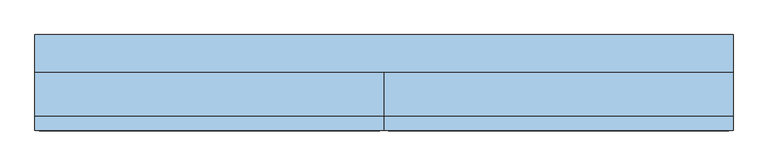
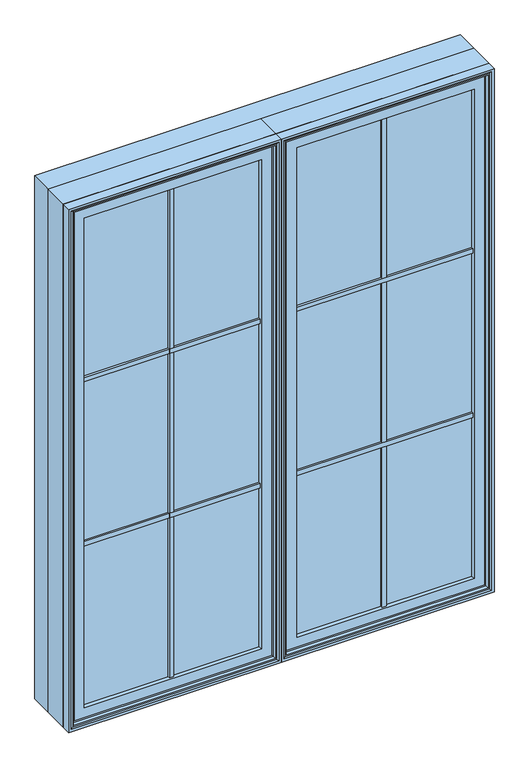
"""IFC4 building model written with IfcOpenShell, lengths in millimetres: window geometry."""

from ifc_helpers import new_model, si_unit, frame, origin, place, context, project, spatial, polyline, outline, extrude, faceted_brep, source, transform, mapped, element, save


def window_0797a930(model_context):
    return source(origin(), model_context, "Body", "SolidModel", [
        extrude(outline(polyline([(-14.684375, 6.1515625), (-14.684375, 12.5015625), (14.684375, 12.5015625), (14.684375, 6.1515625), (-14.684375, 6.1515625)])), frame((0.0, 0.0, 933.45), z_axis=(0.0, 0.0, 1.0), x_axis=(1.0, 0.0, 0.0)), (0.0, 0.0, 1.0), 1943.1),
        extrude(outline(polyline([(708.421875, -74.215625), (53.578125, -74.215625), (53.578125, -66.278125), (708.421875, -66.278125), (708.421875, -74.215625)])), frame((0.0, 0.0, 2206.5588542), z_axis=(0.0, 0.0, 1.0), x_axis=(1.0, 0.0, 0.0)), (0.0, 0.0, 1.0), 15.875),
        extrude(outline(polyline([(708.421875, -99.615625), (53.578125, -99.615625), (53.578125, -91.678125), (708.421875, -91.678125), (708.421875, -99.615625)])), frame((0.0, 0.0, 2206.5588542), z_axis=(0.0, 0.0, 1.0), x_axis=(1.0, 0.0, 0.0)), (0.0, 0.0, 1.0), 15.875),
        extrude(outline(polyline([(708.421875, -88.503125), (53.578125, -88.503125), (53.578125, -77.390625), (708.421875, -77.390625), (708.421875, -88.503125)])), frame((0.0, 0.0, 2211.3213542), z_axis=(0.0, 0.0, 1.0), x_axis=(1.0, 0.0, 0.0)), (0.0, 0.0, 1.0), 6.35),
        extrude(outline(polyline([(708.421875, -74.215625), (53.578125, -74.215625), (53.578125, -66.278125), (708.421875, -66.278125), (708.421875, -74.215625)])), frame((0.0, 0.0, 1584.3911458), z_axis=(0.0, 0.0, 1.0), x_axis=(1.0, 0.0, 0.0)), (0.0, 0.0, 1.0), 15.875),
        extrude(outline(polyline([(708.421875, -99.615625), (53.578125, -99.615625), (53.578125, -91.678125), (708.421875, -91.678125), (708.421875, -99.615625)])), frame((0.0, 0.0, 1584.3911458), z_axis=(0.0, 0.0, 1.0), x_axis=(1.0, 0.0, 0.0)), (0.0, 0.0, 1.0), 15.875),
        extrude(outline(polyline([(708.421875, -88.503125), (53.578125, -88.503125), (53.578125, -77.390625), (708.421875, -77.390625), (708.421875, -88.503125)])), frame((0.0, 0.0, 1589.1536458), z_axis=(0.0, 0.0, 1.0), x_axis=(1.0, 0.0, 0.0)), (0.0, 0.0, 1.0), 6.35),
        extrude(outline(polyline([(384.175, -77.390625), (384.175, -88.503125), (377.825, -88.503125), (377.825, -77.390625), (384.175, -77.390625)])), frame((0.0, 0.0, 967.978125), z_axis=(0.0, 0.0, 1.0), x_axis=(1.0, 0.0, 0.0)), (0.0, 0.0, 1.0), 1874.04375),
        extrude(outline(polyline([(388.9375, -66.278125), (388.9375, -74.215625), (373.0625, -74.215625), (373.0625, -66.278125), (388.9375, -66.278125)])), frame((0.0, 0.0, 967.978125), z_axis=(0.0, 0.0, 1.0), x_axis=(1.0, 0.0, 0.0)), (0.0, 0.0, 1.0), 1874.04375),
        extrude(outline(polyline([(388.9375, -91.678125), (388.9375, -99.615625), (373.0625, -99.615625), (373.0625, -91.678125), (388.9375, -91.678125)])), frame((0.0, 0.0, 967.978125), z_axis=(0.0, 0.0, 1.0), x_axis=(1.0, 0.0, 0.0)), (0.0, 0.0, 1.0), 1874.04375),
        extrude(outline(polyline([(708.421875, -74.215625), (708.421875, -91.678125), (53.578125, -91.678125), (53.578125, -74.215625), (708.421875, -74.215625)])), frame((0.0, 0.0, 967.978125), z_axis=(0.0, 0.0, 1.0), x_axis=(1.0, 0.0, 0.0)), (0.0, 0.0, 1.0), 1874.04375),
        faceted_brep([(742.3404, -66.7563278, 934.0596), (742.3404, -88.3046875, 934.0596), (742.3404, -88.3046875, 2875.9404), (742.3404, -66.7563278, 2875.9404), (714.377183, -10.9227338, 2847.977183), (714.377183, -10.9227338, 962.025), (714.377183, -59.7093984, 962.025), (714.377183, -59.7093984, 2847.977183), (762.0, -88.3046875, 914.4), (762.0, 6.1515625, 914.4), (762.0, 6.1515625, 2895.6), (762.0, -88.3046875, 2895.6), (19.6596, -88.3046875, 2875.9404), (19.6596, -66.7563278, 2875.9404), (47.622817, -59.7093984, 2847.977183), (47.622817, -10.9227338, 2847.977183), (0.0, 6.1515625, 2895.6), (0.0, -88.3046875, 2895.6), (735.8634, -59.7093984, 940.5366), (735.8634, -66.7563278, 940.5366), (735.8634, -66.7563278, 2869.4634), (735.8634, -59.7093984, 2869.4634), (26.1366, -66.7563278, 2869.4634), (26.1366, -59.7093984, 2869.4634), (22.2238888, 6.1515625, 2873.3761112), (739.7761112, 6.1515625, 2873.3761112), (739.7761112, -10.9227338, 2873.3761112), (22.2238888, -10.9227338, 2873.3761112), (739.7761112, 6.1515625, 936.6238888), (739.7761112, -10.9227338, 936.6238888), (0.0, -88.3046875, 914.4), (0.0, 6.1515625, 914.4), (19.6596, -88.3046875, 934.0596), (19.6596, -66.7563278, 934.0596), (26.1366, -66.7563278, 940.5366), (26.1366, -59.7093984, 940.5366), (47.622817, -59.7093984, 962.025), (47.622817, -10.9227338, 962.025), (22.2238888, -10.9227338, 936.6238888), (22.2238888, 6.1515625, 936.6238888)], [[[0, 1, 2, 3]], [[4, 5, 6, 7]], [[8, 9, 10, 11]], [[2, 12, 13, 3]], [[7, 14, 15, 4]], [[10, 16, 17, 11]], [[18, 19, 20, 21]], [[20, 22, 23, 21]], [[24, 25, 26, 27]], [[25, 28, 29, 26]], [[8, 30, 31, 9]], [[8, 11, 17, 30], [12, 2, 1, 32]], [[12, 32, 33, 13]], [[13, 33, 0, 3], [22, 20, 19, 34]], [[22, 34, 35, 23]], [[23, 35, 18, 21], [7, 6, 36, 14]], [[14, 36, 37, 15]], [[26, 29, 38, 27], [15, 37, 5, 4]], [[38, 39, 24, 27]], [[31, 16, 10, 9], [25, 24, 39, 28]], [[17, 16, 31, 30]], [[1, 0, 33, 32]], [[19, 18, 35, 34]], [[6, 5, 37, 36]], [[29, 28, 39, 38]]]),
        extrude(outline(polyline([(941.2966952, 735.1033048), (2868.7033048, 735.1033048), (2868.7033048, 26.8966952), (941.2966952, 26.8966952), (941.2966952, 735.1033048)]), holes=[polyline([(2831.9015625, 698.3015625), (978.0984375, 698.3015625), (978.0984375, 63.6984375), (2831.9015625, 63.6984375), (2831.9015625, 698.3015625)])]), frame((0.0, -106.9883505, 0.0), z_axis=(0.0, 1.0, 0.0), x_axis=(0.0, 0.0, 1.0)), (0.0, 0.0, 1.0), 14.1988723),
        faceted_brep([(729.0341084, -91.5395729, 2862.6341084), (729.0341084, -91.5395729, 947.3658916), (729.0341084, -59.9499024, 947.3658916), (729.0341084, -59.9499024, 2862.6341084), (708.421875, -74.215625, 2842.021875), (708.421875, -74.215625, 967.978125), (708.421875, -91.5395729, 967.978125), (708.421875, -91.5395729, 2842.021875), (32.9658916, -91.5395729, 947.3658916), (32.9658916, -59.9499024, 947.3658916), (53.578125, -74.215625, 967.978125), (53.578125, -91.5395729, 967.978125), (32.9658916, -91.5395729, 2862.6341084), (32.9658916, -59.9499024, 2862.6341084), (53.578125, -74.215625, 2842.021875), (53.578125, -91.5395729, 2842.021875), (698.3015625, -74.215625, 2831.9015625), (698.3015625, -74.215625, 978.0984375), (63.6984375, -74.215625, 978.0984375), (63.6984375, -74.215625, 2831.9015625), (701.0498111, -59.9499024, 975.3501889), (701.0498111, -59.9499024, 2834.6498111), (60.9501889, -59.9499024, 2834.6498111), (60.9501889, -59.9499024, 975.3501889), (698.3015625, -72.8793953, 2831.9015625), (698.3015625, -72.8793953, 978.0984375), (63.6984375, -72.8793953, 978.0984375), (63.6984375, -72.8793953, 2831.9015625)], [[[0, 1, 2, 3]], [[4, 5, 6, 7]], [[1, 8, 9, 2]], [[5, 10, 11, 6]], [[8, 12, 13, 9]], [[10, 14, 15, 11]], [[12, 0, 3, 13]], [[1, 0, 12, 8], [7, 6, 11, 15]], [[14, 4, 7, 15]], [[5, 4, 14, 10], [16, 17, 18, 19]], [[3, 2, 9, 13], [20, 21, 22, 23]], [[24, 25, 17, 16]], [[25, 26, 18, 17]], [[26, 27, 19, 18]], [[27, 24, 16, 19]], [[21, 20, 25, 24]], [[20, 23, 26, 25]], [[23, 22, 27, 26]], [[22, 21, 24, 27]]]),
        faceted_brep([(747.4220166, -119.2736375, 2881.0220166), (747.4220166, -119.2736375, 928.9779834), (752.755345, -120.8484375, 923.644655), (752.755345, -120.8484375, 2886.355345), (742.5526868, -104.4927591, 2876.1526868), (742.5526868, -104.4927591, 933.8473132), (742.5526868, -119.2736375, 933.8473132), (742.5526868, -119.2736375, 2876.1526868), (762.0, -120.8484375, 2895.6), (762.0, -120.8484375, 914.4), (762.0, -88.3046875, 914.4), (762.0, -88.3046875, 2895.6), (14.5779834, -119.2736375, 928.9779834), (9.244655, -120.8484375, 923.644655), (19.4473132, -104.4927591, 933.8473132), (19.4473132, -119.2736375, 933.8473132), (0.0, -120.8484375, 914.4), (0.0, -88.3046875, 914.4), (14.5779834, -119.2736375, 2881.0220166), (9.244655, -120.8484375, 2886.355345), (19.4473132, -104.4927591, 2876.1526868), (19.4473132, -119.2736375, 2876.1526868), (0.0, -120.8484375, 2895.6), (0.0, -88.3046875, 2895.6), (741.3244, -88.3046875, 935.0756), (741.3244, -88.3046875, 2874.9244), (20.6756, -88.3046875, 2874.9244), (20.6756, -88.3046875, 935.0756), (741.3244, -90.3195591, 2874.9244), (741.3244, -90.3195591, 935.0756), (20.6756, -90.3195591, 935.0756), (20.6756, -90.3195591, 2874.9244)], [[[0, 1, 2, 3]], [[4, 5, 6, 7]], [[8, 9, 10, 11]], [[1, 12, 13, 2]], [[5, 14, 15, 6]], [[9, 16, 17, 10]], [[12, 18, 19, 13]], [[14, 20, 21, 15]], [[16, 22, 23, 17]], [[9, 8, 22, 16], [3, 2, 13, 19]], [[18, 0, 3, 19]], [[1, 0, 18, 12], [7, 6, 15, 21]], [[20, 4, 7, 21]], [[11, 10, 17, 23], [24, 25, 26, 27]], [[22, 8, 11, 23]], [[28, 29, 5, 4]], [[25, 24, 29, 28]], [[29, 30, 14, 5]], [[24, 27, 30, 29]], [[30, 31, 20, 14]], [[27, 26, 31, 30]], [[31, 28, 4, 20]], [[26, 25, 28, 31]]]),
        extrude(outline(polyline([(-53.578125, -74.215625), (-708.421875, -74.215625), (-708.421875, -66.278125), (-53.578125, -66.278125), (-53.578125, -74.215625)])), frame((0.0, 0.0, 2206.5588542), z_axis=(0.0, 0.0, 1.0), x_axis=(1.0, 0.0, 0.0)), (0.0, 0.0, 1.0), 15.875),
        extrude(outline(polyline([(-53.578125, -99.615625), (-708.421875, -99.615625), (-708.421875, -91.678125), (-53.578125, -91.678125), (-53.578125, -99.615625)])), frame((0.0, 0.0, 2206.5588542), z_axis=(0.0, 0.0, 1.0), x_axis=(1.0, 0.0, 0.0)), (0.0, 0.0, 1.0), 15.875),
        extrude(outline(polyline([(-53.578125, -88.503125), (-708.421875, -88.503125), (-708.421875, -77.390625), (-53.578125, -77.390625), (-53.578125, -88.503125)])), frame((0.0, 0.0, 2211.3213542), z_axis=(0.0, 0.0, 1.0), x_axis=(1.0, 0.0, 0.0)), (0.0, 0.0, 1.0), 6.35),
        extrude(outline(polyline([(-53.578125, -74.215625), (-708.421875, -74.215625), (-708.421875, -66.278125), (-53.578125, -66.278125), (-53.578125, -74.215625)])), frame((0.0, 0.0, 1584.3911458), z_axis=(0.0, 0.0, 1.0), x_axis=(1.0, 0.0, 0.0)), (0.0, 0.0, 1.0), 15.875),
        extrude(outline(polyline([(-53.578125, -99.615625), (-708.421875, -99.615625), (-708.421875, -91.678125), (-53.578125, -91.678125), (-53.578125, -99.615625)])), frame((0.0, 0.0, 1584.3911458), z_axis=(0.0, 0.0, 1.0), x_axis=(1.0, 0.0, 0.0)), (0.0, 0.0, 1.0), 15.875),
        extrude(outline(polyline([(-53.578125, -88.503125), (-708.421875, -88.503125), (-708.421875, -77.390625), (-53.578125, -77.390625), (-53.578125, -88.503125)])), frame((0.0, 0.0, 1589.1536458), z_axis=(0.0, 0.0, 1.0), x_axis=(1.0, 0.0, 0.0)), (0.0, 0.0, 1.0), 6.35),
        extrude(outline(polyline([(-377.825, -77.390625), (-377.825, -88.503125), (-384.175, -88.503125), (-384.175, -77.390625), (-377.825, -77.390625)])), frame((0.0, 0.0, 967.978125), z_axis=(0.0, 0.0, 1.0), x_axis=(1.0, 0.0, 0.0)), (0.0, 0.0, 1.0), 1874.04375),
        extrude(outline(polyline([(-373.0625, -66.278125), (-373.0625, -74.215625), (-388.9375, -74.215625), (-388.9375, -66.278125), (-373.0625, -66.278125)])), frame((0.0, 0.0, 967.978125), z_axis=(0.0, 0.0, 1.0), x_axis=(1.0, 0.0, 0.0)), (0.0, 0.0, 1.0), 1874.04375),
        extrude(outline(polyline([(-373.0625, -91.678125), (-373.0625, -99.615625), (-388.9375, -99.615625), (-388.9375, -91.678125), (-373.0625, -91.678125)])), frame((0.0, 0.0, 967.978125), z_axis=(0.0, 0.0, 1.0), x_axis=(1.0, 0.0, 0.0)), (0.0, 0.0, 1.0), 1874.04375),
        extrude(outline(polyline([(-53.578125, -74.215625), (-53.578125, -91.678125), (-708.421875, -91.678125), (-708.421875, -74.215625), (-53.578125, -74.215625)])), frame((0.0, 0.0, 967.978125), z_axis=(0.0, 0.0, 1.0), x_axis=(1.0, 0.0, 0.0)), (0.0, 0.0, 1.0), 1874.04375),
        faceted_brep([(-19.6596, -66.7563278, 934.0596), (-19.6596, -88.3046875, 934.0596), (-19.6596, -88.3046875, 2875.9404), (-19.6596, -66.7563278, 2875.9404), (-47.622817, -10.9227338, 2847.977183), (-47.622817, -10.9227338, 962.025), (-47.622817, -59.7093984, 962.025), (-47.622817, -59.7093984, 2847.977183), (0.0, -88.3046875, 914.4), (0.0, 6.1515625, 914.4), (0.0, 6.1515625, 2895.6), (0.0, -88.3046875, 2895.6), (-742.3404, -88.3046875, 2875.9404), (-742.3404, -66.7563278, 2875.9404), (-714.377183, -59.7093984, 2847.977183), (-714.377183, -10.9227338, 2847.977183), (-762.0, 6.1515625, 2895.6), (-762.0, -88.3046875, 2895.6), (-26.1366, -59.7093984, 940.5366), (-26.1366, -66.7563278, 940.5366), (-26.1366, -66.7563278, 2869.4634), (-26.1366, -59.7093984, 2869.4634), (-735.8634, -66.7563278, 2869.4634), (-735.8634, -59.7093984, 2869.4634), (-739.7761112, 6.1515625, 2873.3761112), (-22.2238888, 6.1515625, 2873.3761112), (-22.2238888, -10.9227338, 2873.3761112), (-739.7761112, -10.9227338, 2873.3761112), (-22.2238888, 6.1515625, 936.6238888), (-22.2238888, -10.9227338, 936.6238888), (-762.0, -88.3046875, 914.4), (-762.0, 6.1515625, 914.4), (-742.3404, -88.3046875, 934.0596), (-742.3404, -66.7563278, 934.0596), (-735.8634, -66.7563278, 940.5366), (-735.8634, -59.7093984, 940.5366), (-714.377183, -59.7093984, 962.025), (-714.377183, -10.9227338, 962.025), (-739.7761112, -10.9227338, 936.6238888), (-739.7761112, 6.1515625, 936.6238888)], [[[0, 1, 2, 3]], [[4, 5, 6, 7]], [[8, 9, 10, 11]], [[2, 12, 13, 3]], [[7, 14, 15, 4]], [[10, 16, 17, 11]], [[18, 19, 20, 21]], [[20, 22, 23, 21]], [[24, 25, 26, 27]], [[25, 28, 29, 26]], [[8, 30, 31, 9]], [[8, 11, 17, 30], [12, 2, 1, 32]], [[12, 32, 33, 13]], [[13, 33, 0, 3], [22, 20, 19, 34]], [[22, 34, 35, 23]], [[23, 35, 18, 21], [7, 6, 36, 14]], [[14, 36, 37, 15]], [[26, 29, 38, 27], [15, 37, 5, 4]], [[38, 39, 24, 27]], [[31, 16, 10, 9], [25, 24, 39, 28]], [[17, 16, 31, 30]], [[1, 0, 33, 32]], [[19, 18, 35, 34]], [[6, 5, 37, 36]], [[29, 28, 39, 38]]]),
        extrude(outline(polyline([(941.2966952, -26.8966952), (2868.7033048, -26.8966952), (2868.7033048, -735.1033048), (941.2966952, -735.1033048), (941.2966952, -26.8966952)]), holes=[polyline([(2831.9015625, -63.6984375), (978.0984375, -63.6984375), (978.0984375, -698.3015625), (2831.9015625, -698.3015625), (2831.9015625, -63.6984375)])]), frame((0.0, -106.9883505, 0.0), z_axis=(0.0, 1.0, 0.0), x_axis=(0.0, 0.0, 1.0)), (0.0, 0.0, 1.0), 14.1988723),
        faceted_brep([(-32.9658916, -91.5395729, 2862.6341084), (-32.9658916, -91.5395729, 947.3658916), (-32.9658916, -59.9499024, 947.3658916), (-32.9658916, -59.9499024, 2862.6341084), (-53.578125, -74.215625, 2842.021875), (-53.578125, -74.215625, 967.978125), (-53.578125, -91.5395729, 967.978125), (-53.578125, -91.5395729, 2842.021875), (-729.0341084, -91.5395729, 947.3658916), (-729.0341084, -59.9499024, 947.3658916), (-708.421875, -74.215625, 967.978125), (-708.421875, -91.5395729, 967.978125), (-729.0341084, -91.5395729, 2862.6341084), (-729.0341084, -59.9499024, 2862.6341084), (-708.421875, -74.215625, 2842.021875), (-708.421875, -91.5395729, 2842.021875), (-63.6984375, -74.215625, 2831.9015625), (-63.6984375, -74.215625, 978.0984375), (-698.3015625, -74.215625, 978.0984375), (-698.3015625, -74.215625, 2831.9015625), (-60.9501889, -59.9499024, 975.3501889), (-60.9501889, -59.9499024, 2834.6498111), (-701.0498111, -59.9499024, 2834.6498111), (-701.0498111, -59.9499024, 975.3501889), (-63.6984375, -72.8793953, 2831.9015625), (-63.6984375, -72.8793953, 978.0984375), (-698.3015625, -72.8793953, 978.0984375), (-698.3015625, -72.8793953, 2831.9015625)], [[[0, 1, 2, 3]], [[4, 5, 6, 7]], [[1, 8, 9, 2]], [[5, 10, 11, 6]], [[8, 12, 13, 9]], [[10, 14, 15, 11]], [[12, 0, 3, 13]], [[1, 0, 12, 8], [7, 6, 11, 15]], [[14, 4, 7, 15]], [[5, 4, 14, 10], [16, 17, 18, 19]], [[3, 2, 9, 13], [20, 21, 22, 23]], [[24, 25, 17, 16]], [[25, 26, 18, 17]], [[26, 27, 19, 18]], [[27, 24, 16, 19]], [[21, 20, 25, 24]], [[20, 23, 26, 25]], [[23, 22, 27, 26]], [[22, 21, 24, 27]]]),
        faceted_brep([(-14.5779834, -119.2736375, 2881.0220166), (-14.5779834, -119.2736375, 928.9779834), (-9.244655, -120.8484375, 923.644655), (-9.244655, -120.8484375, 2886.355345), (-19.4473132, -104.4927591, 2876.1526868), (-19.4473132, -104.4927591, 933.8473132), (-19.4473132, -119.2736375, 933.8473132), (-19.4473132, -119.2736375, 2876.1526868), (0.0, -120.8484375, 2895.6), (0.0, -120.8484375, 914.4), (0.0, -88.3046875, 914.4), (0.0, -88.3046875, 2895.6), (-747.4220166, -119.2736375, 928.9779834), (-752.755345, -120.8484375, 923.644655), (-742.5526868, -104.4927591, 933.8473132), (-742.5526868, -119.2736375, 933.8473132), (-762.0, -120.8484375, 914.4), (-762.0, -88.3046875, 914.4), (-747.4220166, -119.2736375, 2881.0220166), (-752.755345, -120.8484375, 2886.355345), (-742.5526868, -104.4927591, 2876.1526868), (-742.5526868, -119.2736375, 2876.1526868), (-762.0, -120.8484375, 2895.6), (-762.0, -88.3046875, 2895.6), (-20.6756, -88.3046875, 935.0756), (-20.6756, -88.3046875, 2874.9244), (-741.3244, -88.3046875, 2874.9244), (-741.3244, -88.3046875, 935.0756), (-20.6756, -90.3195591, 2874.9244), (-20.6756, -90.3195591, 935.0756), (-741.3244, -90.3195591, 935.0756), (-741.3244, -90.3195591, 2874.9244)], [[[0, 1, 2, 3]], [[4, 5, 6, 7]], [[8, 9, 10, 11]], [[1, 12, 13, 2]], [[5, 14, 15, 6]], [[9, 16, 17, 10]], [[12, 18, 19, 13]], [[14, 20, 21, 15]], [[16, 22, 23, 17]], [[9, 8, 22, 16], [3, 2, 13, 19]], [[18, 0, 3, 19]], [[1, 0, 18, 12], [7, 6, 15, 21]], [[20, 4, 7, 21]], [[11, 10, 17, 23], [24, 25, 26, 27]], [[22, 8, 11, 23]], [[28, 29, 5, 4]], [[25, 24, 29, 28]], [[29, 30, 14, 5]], [[24, 27, 30, 29]], [[30, 31, 20, 14]], [[27, 26, 31, 30]], [[31, 28, 4, 20]], [[26, 25, 28, 31]]]),
        extrude(outline(polyline([(2895.6, -762.0), (914.4, -762.0), (914.4, 762.0), (2895.6, 762.0), (2895.6, -762.0)]), holes=[polyline([(933.45, -742.95), (2876.55, -742.95), (2876.55, 742.95), (933.45, 742.95), (933.45, -742.95)])]), frame((0.0, 6.1515625, 0.0), z_axis=(0.0, 1.0, 0.0), x_axis=(0.0, 0.0, 1.0)), (0.0, 0.0, 1.0), 82.7484375),
    ])


if __name__ == "__main__":
    model = new_model("IFC4")
    model_context = context("Model", 3, world=origin())
    ifc_project = project(units=[si_unit("LENGTHUNIT", "METRE", prefix="MILLI")], contexts=[model_context])
    site = spatial("IfcSite", under=ifc_project)
    building = spatial("IfcBuilding", under=site)
    placement = place(None, origin())
    window_shape = window_0797a930(model_context)
    element("IfcWindow", 1, at=placement, inside=building, context=model_context, shape_type="MappedRepresentation", body=[
        mapped(window_shape, transform((0.0, 0.0, 0.0), x_axis=(1.0, 0.0, 0.0), y_axis=(0.0, 1.0, 0.0), z_axis=(0.0, 0.0, 1.0))),
    ])
    save(model, "model.ifc")
